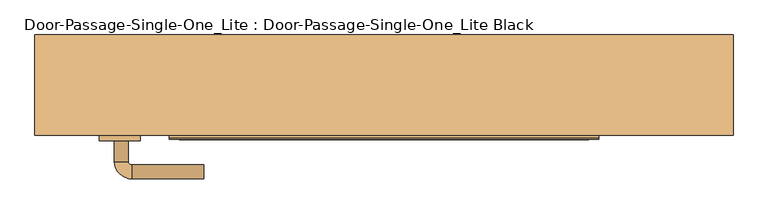
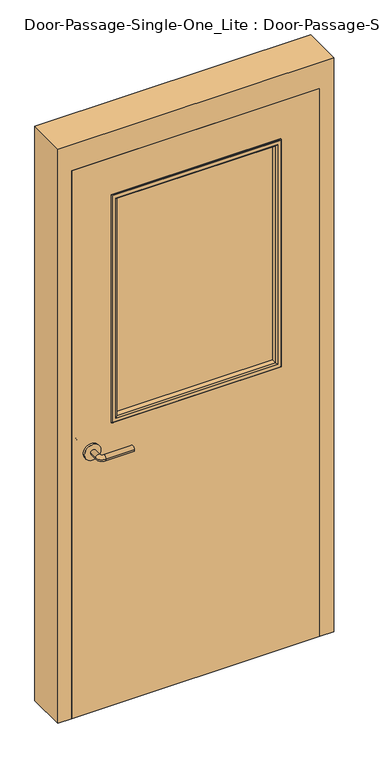
"""IFC4 building model written with IfcOpenShell, lengths in millimetres: door geometry, Door-Passage-Single-One_Lite : Door-Passage-Single-One_Lite Black."""

import ifcopenshell
import ifcopenshell.guid

model = None  # the IFC model being written
_history = None  # IfcOwnerHistory: only IFC2X3 demands one
_inside = {}  # id of a spatial element -> (the spatial element, [elements in it])
_under = {}  # id of a project, library or spatial element -> (it, [spatial elements below it])
_declared = {}  # id of a project -> (the project, [libraries it declares])
_typed = {}  # id of a type object -> (the type object, [elements of that type])
_made_of = {}  # id of a material, layer set ... -> (it, [elements and type objects made of it])


def new_model(schema):
    """Start an empty IFC model of exactly this schema.

    Asked for "IFC4X3", IfcOpenShell would pick the latest addendum, in which some entities
    have other attributes; the version numbers below select the first issue.
    IFC2X3 requires an IfcOwnerHistory on every rooted entity: one is made here for all.
    """
    global model, _history
    if schema == "IFC4X3":
        model = ifcopenshell.file(schema_version=(4, 3, 0, 0))
    else:
        model = ifcopenshell.file(schema=schema)
    _inside.clear()
    _under.clear()
    _declared.clear()
    _typed.clear()
    _made_of.clear()
    _history = None
    if model.schema == "IFC2X3":
        org = make("IfcOrganization", Name="unknown")
        user = make(
            "IfcPersonAndOrganization",
            ThePerson=make("IfcPerson", FamilyName="unknown"),
            TheOrganization=org,
        )
        app = make(
            "IfcApplication",
            ApplicationDeveloper=org,
            Version="unknown",
            ApplicationFullName="unknown",
            ApplicationIdentifier="unknown",
        )
        _history = make(
            "IfcOwnerHistory",
            OwningUser=user,
            OwningApplication=app,
            ChangeAction="ADDED",
            CreationDate=0,
        )
    return model


def make(cls, **values):
    """One entity of the class cls with the attributes given. An attribute that is None is left unset."""
    return model.create_entity(
        cls, **{name: value for name, value in values.items() if value is not None}
    )


def rooted(cls, **values):
    """An entity with a GlobalId (a new one), such as an element, a storey or a relation."""
    return make(cls, GlobalId=ifcopenshell.guid.new(), OwnerHistory=_history, **values)


def si_unit(unit_type, name, prefix=None):
    """IfcSIUnit, for example si_unit("LENGTHUNIT", "METRE", prefix="MILLI")."""
    return make("IfcSIUnit", UnitType=unit_type, Prefix=prefix, Name=name)


def assignment(units):
    """IfcUnitAssignment: the units of a project."""
    return None if units is None else make("IfcUnitAssignment", Units=units)


def point(xyz):
    """IfcCartesianPoint."""
    return None if xyz is None else make("IfcCartesianPoint", Coordinates=xyz)


def direction(xyz):
    """IfcDirection."""
    return None if xyz is None else make("IfcDirection", DirectionRatios=xyz)


def frame(location, z_axis=None, x_axis=None):
    """IfcAxis2Placement3D, a coordinate frame: its origin and axes. An axis left out is left unset."""
    return make(
        "IfcAxis2Placement3D",
        Location=point(location),
        Axis=direction(z_axis),
        RefDirection=direction(x_axis),
    )


def frame_2d(location, x_axis=None):
    """IfcAxis2Placement2D, a coordinate frame in the plane: its origin and x axis."""
    return make(
        "IfcAxis2Placement2D", Location=point(location), RefDirection=direction(x_axis)
    )


def origin():
    """The frame at (0, 0, 0) with its axes left unset."""
    return frame((0.0, 0.0, 0.0))


def place(relative_to, where):
    """IfcLocalPlacement: puts the frame where relative to a parent placement (None: the world)."""
    return make(
        "IfcLocalPlacement", PlacementRelTo=relative_to, RelativePlacement=where
    )


def context(
    kind, dimensions, precision=None, world=None, true_north=None, identifier=None
):
    """IfcGeometricRepresentationContext, for example the 3D "Model" context."""
    return make(
        "IfcGeometricRepresentationContext",
        ContextIdentifier=identifier,
        ContextType=kind,
        CoordinateSpaceDimension=dimensions,
        Precision=precision,
        WorldCoordinateSystem=world,
        TrueNorth=true_north,
    )


def project(units=None, contexts=None):
    """IfcProject with its units and contexts."""
    return rooted(
        "IfcProject",
        Name="project",
        RepresentationContexts=contexts,
        UnitsInContext=assignment(units),
    )


def spatial(cls, under=None, at=None, **own):
    """A site, building, storey or space (cls), placed at a placement, below another one or the project."""
    s = rooted(cls, ObjectPlacement=at, **own)
    if under is not None:
        _under.setdefault(under.id(), (under, []))[1].append(s)
    return s


def polyline(points):
    """IfcPolyline through the points."""
    return make("IfcPolyline", Points=[point(p) for p in points])


def circle_curve(where, radius):
    """IfcCircle in the frame where."""
    return make("IfcCircle", Position=where, Radius=radius)


def ellipse_curve(where, semi_axis1, semi_axis2):
    """IfcEllipse in the frame where."""
    return make(
        "IfcEllipse", Position=where, SemiAxis1=semi_axis1, SemiAxis2=semi_axis2
    )


def trimmed(basis, trim1, trim2, sense, master):
    """IfcTrimmedCurve: the piece of a basis curve between two trims."""
    return make(
        "IfcTrimmedCurve",
        BasisCurve=basis,
        Trim1=trim1,
        Trim2=trim2,
        SenseAgreement=sense,
        MasterRepresentation=master,
    )


def segment(curve, same_sense, transition):
    """IfcCompositeCurveSegment."""
    return make(
        "IfcCompositeCurveSegment",
        Transition=transition,
        SameSense=same_sense,
        ParentCurve=curve,
    )


def composite_curve(segments, self_intersect=None):
    """IfcCompositeCurve: segments joined end to end."""
    return make("IfcCompositeCurve", Segments=segments, SelfIntersect=self_intersect)


def outline(outer, holes=None, kind="AREA"):
    """IfcArbitraryClosedProfileDef: a profile drawn as a closed curve; with holes, ...WithVoids."""
    if holes is None:
        return make("IfcArbitraryClosedProfileDef", ProfileType=kind, OuterCurve=outer)
    return make(
        "IfcArbitraryProfileDefWithVoids",
        ProfileType=kind,
        OuterCurve=outer,
        InnerCurves=holes,
    )


def extrude(swept, where, along, depth):
    """IfcExtrudedAreaSolid: the profile swept, set in the frame where, extruded along a direction by depth."""
    return make(
        "IfcExtrudedAreaSolid",
        SweptArea=swept,
        Position=where,
        ExtrudedDirection=direction(along),
        Depth=depth,
    )


def faces_of(points, faces, orient=None, outer=None):
    """IfcFace entities. A face is a list of loops; a loop is a list of indices into points, from 0.

    orient and outer hold one flag for each loop. By default every Orientation is true, the
    first loop of a face is its IfcFaceOuterBound and the others are IfcFaceBound.
    """
    made = []
    for i, loops in enumerate(faces):
        bounds = []
        for j, loop in enumerate(loops):
            is_outer = j == 0 if outer is None else outer[i][j]
            bounds.append(
                make(
                    "IfcFaceOuterBound" if is_outer else "IfcFaceBound",
                    Bound=make("IfcPolyLoop", Polygon=[points[k] for k in loop]),
                    Orientation=True if orient is None else orient[i][j],
                )
            )
        made.append(make("IfcFace", Bounds=bounds))
    return made


def faceted_brep(points, faces, orient=None, outer=None, voids=None):
    """IfcFacetedBrep: a solid bounded by flat faces; with voids (closed shells), ...WithVoids."""
    shared = [point(p) for p in points]
    hull = make("IfcClosedShell", CfsFaces=faces_of(shared, faces, orient, outer))
    if voids is None:
        return make("IfcFacetedBrep", Outer=hull)
    return make(
        "IfcFacetedBrepWithVoids",
        Outer=hull,
        Voids=[
            make(cls, CfsFaces=faces_of(shared, fs, o, b)) for cls, fs, o, b in voids
        ],
    )


def shape(context_of_items, identifier, shape_type, items):
    """IfcShapeRepresentation: the items that make up one representation, for example the "Body"."""
    return make(
        "IfcShapeRepresentation",
        ContextOfItems=context_of_items,
        RepresentationIdentifier=identifier,
        RepresentationType=shape_type,
        Items=items,
    )


def source(mapping_origin, context_of_items, identifier, shape_type, items):
    """IfcRepresentationMap: a shape defined once, which mapped items show again and again."""
    return make(
        "IfcRepresentationMap",
        MappingOrigin=mapping_origin,
        MappedRepresentation=shape(context_of_items, identifier, shape_type, items),
    )


def transform(
    local_origin,
    x_axis=None,
    y_axis=None,
    z_axis=None,
    scale=None,
    scale2=None,
    scale3=None,
    uniform=True,
):
    """IfcCartesianTransformationOperator3D, or its non-uniform kind. x_axis, y_axis, z_axis: its Axis1, 2, 3."""
    if uniform:
        return make(
            "IfcCartesianTransformationOperator3D",
            Axis1=direction(x_axis),
            Axis2=direction(y_axis),
            LocalOrigin=point(local_origin),
            Scale=scale,
            Axis3=direction(z_axis),
        )
    return make(
        "IfcCartesianTransformationOperator3DnonUniform",
        Axis1=direction(x_axis),
        Axis2=direction(y_axis),
        LocalOrigin=point(local_origin),
        Scale=scale,
        Axis3=direction(z_axis),
        Scale2=scale2,
        Scale3=scale3,
    )


def mapped(mapping_source, mapping_target):
    """IfcMappedItem: shows the shape of a source again, moved by a transform."""
    return make(
        "IfcMappedItem", MappingSource=mapping_source, MappingTarget=mapping_target
    )


def made_of(thing, what):
    """Note that an element or type object is made of a material, layer set ...; save() writes the relation."""
    if what is not None:
        _made_of.setdefault(what.id(), (what, []))[1].append(thing)
    return thing


def element(
    cls,
    number,
    at=None,
    inside=None,
    cuts=None,
    type_object=None,
    material=None,
    context=None,
    identifier="Body",
    shape_type=None,
    held_by="IfcProductDefinitionShape",
    body=None,
    shapes=None,
    **own,
):
    """One element of the class cls, such as IfcWall. Its Tag is "e" and its number.

    at: its placement. inside: the storey or other place that contains it. cuts: it is an
    opening in that element (IfcRelVoidsElement). A single representation is given by context,
    identifier, shape_type and body (its items); several are given by shapes. held_by: the class
    of the entity that holds the representations. save() writes the other relations.
    """
    e = rooted(cls, Tag="e%d" % number, ObjectPlacement=at, **own)
    if body is not None:
        shapes = [shape(context, identifier, shape_type, body)]
    if shapes is not None:
        e.Representation = make(held_by, Representations=shapes)
    if inside is not None:
        _inside.setdefault(inside.id(), (inside, []))[1].append(e)
    if cuts is not None:
        rooted(
            "IfcRelVoidsElement", RelatingBuildingElement=cuts, RelatedOpeningElement=e
        )
    if type_object is not None:
        _typed.setdefault(type_object.id(), (type_object, []))[1].append(e)
    return made_of(e, material)


def aggregate(whole, parts):
    """IfcRelAggregates: a whole, such as a stair, and the parts it consists of."""
    return rooted("IfcRelAggregates", RelatingObject=whole, RelatedObjects=parts)


def save(model, path):
    """Write the relations noted so far, then the file.

    IfcRelAggregates (storeys below a building ...), IfcRelContainedInSpatialStructure (elements
    in a storey), IfcRelDefinesByType, IfcRelAssociatesMaterial and IfcRelDeclares: one each for
    every whole, place, type object, material and project.
    """
    for whole, parts in _under.values():
        aggregate(whole, parts)
    for where, things in _inside.values():
        rooted(
            "IfcRelContainedInSpatialStructure",
            RelatedElements=things,
            RelatingStructure=where,
        )
    for kind, things in _typed.values():
        rooted("IfcRelDefinesByType", RelatedObjects=things, RelatingType=kind)
    for what, things in _made_of.values():
        rooted("IfcRelAssociatesMaterial", RelatedObjects=things, RelatingMaterial=what)
    for by, libraries in _declared.values():
        rooted("IfcRelDeclares", RelatingContext=by, RelatedDefinitions=libraries)
    model.write(path)


def plane_surface(at):
    """IfcPlane: the flat surface through the origin of the frame at, square to its z axis."""
    return make("IfcPlane", Position=at)


def cylinder_surface(at, radius):
    """IfcCylindricalSurface: all points at the distance radius from the z axis of the frame at."""
    return make("IfcCylindricalSurface", Position=at, Radius=radius)


def revolved_surface(curve, axis_point, axis_direction):
    """IfcSurfaceOfRevolution: the curve turned about the line through axis_point along axis_direction."""
    return make(
        "IfcSurfaceOfRevolution",
        SweptCurve=make("IfcArbitraryOpenProfileDef", ProfileType="CURVE", Curve=curve),
        AxisPosition=make("IfcAxis1Placement", Location=point(axis_point), Axis=direction(axis_direction)),
    )


def advanced_brep(points, edges, surfaces, faces):
    """IfcAdvancedBrep: a solid bounded by faces that lie on surfaces and meet in shared edges.

    An edge is (start, end): straight between two places in points (the first is 0);
    or (start, end, curve); or (start, end, curve, False) where it runs against its curve.
    A face is (place in surfaces, loops), or (place, loops, False) where it looks against
    its surface's normal. A loop lists edges by number (the first is 1), with a minus sign
    where the edge is run from its end to its start. The first loop is the outer one.
    """
    corners = [point(p) for p in points]
    vertices = [make("IfcVertexPoint", VertexGeometry=c) for c in corners]
    made = []
    for start, end, *more in edges:
        made.append(
            make(
                "IfcEdgeCurve",
                EdgeStart=vertices[start],
                EdgeEnd=vertices[end],
                EdgeGeometry=more[0] if more else make("IfcPolyline", Points=[corners[start], corners[end]]),
                SameSense=more[1] if len(more) > 1 else True,
            )
        )
    hull = []
    for where, loops, *sense in faces:
        bounds = []
        for j, loop in enumerate(loops):
            ring = [make("IfcOrientedEdge", EdgeElement=made[abs(k) - 1], Orientation=k > 0) for k in loop]
            bounds.append(
                make(
                    "IfcFaceOuterBound" if j == 0 else "IfcFaceBound",
                    Bound=make("IfcEdgeLoop", EdgeList=ring),
                    Orientation=True,
                )
            )
        hull.append(make("IfcAdvancedFace", Bounds=bounds, FaceSurface=surfaces[where], SameSense=sense[0] if sense else True))
    return make("IfcAdvancedBrep", Outer=make("IfcClosedShell", CfsFaces=hull))


def door_passage_single_one_lite_door_passage_single_one_lite_302719e3(model_context):
    return source(origin(), model_context, "Body", "SolidModel", [
        advanced_brep(
        [(-392.190625, -92.0125, 1016.0), (-372.190625, -92.0125, 1016.0), (-392.190625, -62.0125, 1016.0), (-372.190625, -62.0125, 1016.0), (-367.190625, -57.0125, 1016.0), (-367.190625, -37.0125, 1016.0), (-262.190625, -37.0125, 1016.0), (-262.190625, -57.0125, 1016.0)],
        [
            (0, 1, circle_curve(frame((-382.190625, -92.0125, 1016.0), z_axis=(0.0, -1.0, 0.0), x_axis=(1.0, 0.0, 0.0)), 10.0)),
            (1, 0, circle_curve(frame((-382.190625, -92.0125, 1016.0), z_axis=(0.0, -1.0, 0.0), x_axis=(1.0, 0.0, 0.0)), 10.0)),
            (0, 2),
            (2, 3, circle_curve(frame((-382.190625, -62.0125, 1016.0), z_axis=(0.0, -1.0, 0.0), x_axis=(1.0, 0.0, 0.0)), 10.0)),
            (3, 1),
            (3, 2, circle_curve(frame((-382.190625, -62.0125, 1016.0), z_axis=(0.0, -1.0, 0.0), x_axis=(1.0, 0.0, 0.0)), 10.0)),
            (4, 3, circle_curve(frame((-367.190625, -62.0125, 1016.0), z_axis=(0.0, 0.0, 1.0), x_axis=(-1.0, 0.0, 0.0)), 5.0)),
            (2, 5, circle_curve(frame((-367.190625, -62.0125, 1016.0), z_axis=(0.0, 0.0, -1.0), x_axis=(-1.0, 0.0, 0.0)), 25.0)),
            (5, 4, circle_curve(frame((-367.190625, -47.0125, 1016.0), z_axis=(-1.0, 0.0, 0.0), x_axis=(0.0, -1.0, 0.0)), 10.0)),
            (4, 5, circle_curve(frame((-367.190625, -47.0125, 1016.0), z_axis=(-1.0, 0.0, 0.0), x_axis=(0.0, -1.0, 0.0)), 10.0)),
            (6, 7, circle_curve(frame((-262.190625, -47.0125, 1016.0), z_axis=(1.0, 0.0, 0.0), x_axis=(0.0, -1.0, 0.0)), 10.0)),
            (7, 6, circle_curve(frame((-262.190625, -47.0125, 1016.0), z_axis=(1.0, 0.0, 0.0), x_axis=(0.0, -1.0, 0.0)), 10.0)),
            (5, 6),
            (7, 4),
        ],
        [
            plane_surface(frame((-382.190625, -92.0125, 1016.0), z_axis=(0.0, -1.0, 0.0), x_axis=(0.0, 0.0, 1.0))),
            cylinder_surface(frame((-382.190625, -92.0125, 1016.0), z_axis=(0.0, -1.0, 0.0), x_axis=(1.0, 0.0, 0.0)), 10.0),
            revolved_surface(trimmed(ellipse_curve(frame((-382.190625, -62.0125, 1016.0), z_axis=(0.0, -1.0, 0.0), x_axis=(1.0, 0.0, 0.0)), 10.0, 10.0), [point((-392.190625, -62.0125, 1016.0))], [point((-372.190625, -62.0125, 1016.0))], True, "CARTESIAN"), (-367.190625, -62.0125, 1016.0), (0.0, 0.0, -1.0)),
            revolved_surface(trimmed(ellipse_curve(frame((-382.190625, -62.0125, 1016.0), z_axis=(0.0, -1.0, 0.0), x_axis=(1.0, 0.0, 0.0)), 10.0, 10.0), [point((-372.190625, -62.0125, 1016.0))], [point((-392.190625, -62.0125, 1016.0))], True, "CARTESIAN"), (-367.190625, -62.0125, 1016.0), (0.0, 0.0, -1.0)),
            plane_surface(frame((-262.190625, -47.0125, 1016.0), z_axis=(1.0, 0.0, 0.0), x_axis=(0.0, 0.0, 1.0))),
            cylinder_surface(frame((-367.190625, -47.0125, 1016.0), z_axis=(-1.0, 0.0, 0.0), x_axis=(0.0, -1.0, 0.0)), 10.0),
        ],
        [
            (0, [[1, 2]]),
            (1, [[-1, 3, 4, 5]]),
            (1, [[-2, -5, 6, -3]]),
            (2, [[7, -4, 8, 9]]),
            (3, [[-8, -6, -7, 10]]),
            (4, [[11, 12]]),
            (5, [[-9, 13, -12, 14]]),
            (5, [[-10, -14, -11, -13]]),
        ],
    ),
        extrude(outline(composite_curve([segment(trimmed(circle_curve(frame_2d((1016.0, -384.690625)), 30.0), [point((1016.0, -414.690625))], [point((1016.0, -354.690625))], False, "CARTESIAN"), True, "CONTINUOUS"), segment(trimmed(circle_curve(frame_2d((1016.0, -384.690625)), 30.0), [point((1016.0, -354.690625))], [point((1016.0, -414.690625))], False, "CARTESIAN"), True, "CONTINUOUS")], self_intersect=False)), frame((0.0, -100.0125, 0.0), z_axis=(0.0, 1.0, 0.0), x_axis=(0.0, 0.0, 1.0)), (0.0, 0.0, 1.0), 8.0),
        advanced_brep(
        [(-392.190625, -152.4625, 1016.0), (-372.190625, -152.4625, 1016.0), (-372.190625, -182.4625, 1016.0), (-392.190625, -182.4625, 1016.0), (-367.190625, -187.4625, 1016.0), (-367.190625, -207.4625, 1016.0), (-262.190625, -207.4625, 1016.0), (-262.190625, -187.4625, 1016.0)],
        [
            (0, 1, circle_curve(frame((-382.190625, -152.4625, 1016.0), z_axis=(0.0, 1.0, 0.0), x_axis=(1.0, 0.0, 0.0)), 10.0)),
            (1, 0, circle_curve(frame((-382.190625, -152.4625, 1016.0), z_axis=(0.0, 1.0, 0.0), x_axis=(1.0, 0.0, 0.0)), 10.0)),
            (1, 2),
            (2, 3, circle_curve(frame((-382.190625, -182.4625, 1016.0), z_axis=(0.0, 1.0, 0.0), x_axis=(1.0, 0.0, 0.0)), 10.0)),
            (3, 0),
            (3, 2, circle_curve(frame((-382.190625, -182.4625, 1016.0), z_axis=(0.0, 1.0, 0.0), x_axis=(1.0, 0.0, 0.0)), 10.0)),
            (4, 5, circle_curve(frame((-367.190625, -197.4625, 1016.0), z_axis=(-1.0, 0.0, 0.0), x_axis=(0.0, 1.0, 0.0)), 10.0)),
            (5, 3, circle_curve(frame((-367.190625, -182.4625, 1016.0), z_axis=(0.0, 0.0, -1.0), x_axis=(-1.0, 0.0, 0.0)), 25.0)),
            (2, 4, circle_curve(frame((-367.190625, -182.4625, 1016.0), z_axis=(0.0, 0.0, 1.0), x_axis=(-1.0, 0.0, 0.0)), 5.0)),
            (5, 4, circle_curve(frame((-367.190625, -197.4625, 1016.0), z_axis=(-1.0, 0.0, 0.0), x_axis=(0.0, 1.0, 0.0)), 10.0)),
            (6, 7, circle_curve(frame((-262.190625, -197.4625, 1016.0), z_axis=(1.0, 0.0, 0.0), x_axis=(0.0, 1.0, 0.0)), 10.0)),
            (7, 6, circle_curve(frame((-262.190625, -197.4625, 1016.0), z_axis=(1.0, 0.0, 0.0), x_axis=(0.0, 1.0, 0.0)), 10.0)),
            (4, 7),
            (6, 5),
        ],
        [
            plane_surface(frame((-382.190625, -152.4625, 1016.0), z_axis=(0.0, 1.0, 0.0), x_axis=(0.0, 0.0, 1.0))),
            cylinder_surface(frame((-382.190625, -152.4625, 1016.0), z_axis=(0.0, 1.0, 0.0), x_axis=(1.0, 0.0, 0.0)), 10.0),
            revolved_surface(trimmed(ellipse_curve(frame((-382.190625, -182.4625, 1016.0), z_axis=(0.0, -1.0, 0.0), x_axis=(1.0, 0.0, 0.0)), 10.0, 10.0), [point((-392.190625, -182.4625, 1016.0))], [point((-372.190625, -182.4625, 1016.0))], True, "CARTESIAN"), (-367.190625, -182.4625, 1016.0), (0.0, 0.0, -1.0)),
            revolved_surface(trimmed(ellipse_curve(frame((-382.190625, -182.4625, 1016.0), z_axis=(0.0, -1.0, 0.0), x_axis=(1.0, 0.0, 0.0)), 10.0, 10.0), [point((-372.190625, -182.4625, 1016.0))], [point((-392.190625, -182.4625, 1016.0))], True, "CARTESIAN"), (-367.190625, -182.4625, 1016.0), (0.0, 0.0, -1.0)),
            plane_surface(frame((-262.190625, -197.4625, 1016.0), z_axis=(1.0, 0.0, 0.0), x_axis=(0.0, 0.0, 1.0))),
            cylinder_surface(frame((-367.190625, -197.4625, 1016.0), z_axis=(-1.0, 0.0, 0.0), x_axis=(0.0, 1.0, 0.0)), 10.0),
        ],
        [
            (0, [[1, 2]]),
            (1, [[3, 4, 5, -2]]),
            (1, [[-5, 6, -3, -1]]),
            (2, [[7, 8, -4, 9]]),
            (3, [[10, -9, -6, -8]]),
            (4, [[11, 12]]),
            (5, [[13, -11, 14, -7]]),
            (5, [[-14, -12, -13, -10]]),
        ],
    ),
        extrude(outline(composite_curve([segment(trimmed(circle_curve(frame_2d((1016.0, -384.690625)), 30.0), [point((1016.0, -414.690625))], [point((1016.0, -354.690625))], False, "CARTESIAN"), True, "CONTINUOUS"), segment(trimmed(circle_curve(frame_2d((1016.0, -384.690625)), 30.0), [point((1016.0, -354.690625))], [point((1016.0, -414.690625))], False, "CARTESIAN"), True, "CONTINUOUS")], self_intersect=False)), frame((0.0, -152.4625, 0.0), z_axis=(0.0, 1.0, 0.0), x_axis=(0.0, 0.0, 1.0)), (0.0, 0.0, 1.0), 8.0),
        faceted_brep([(457.2, -95.25, 0.0), (441.325, -95.25, 0.0), (441.325, -47.625, 0.0), (457.2, -47.625, 0.0), (457.2, 1.5875, 0.0), (508.0, 1.5875, 0.0), (508.0, -144.4625, 0.0), (457.2, -144.4625, 0.0), (457.2, -144.4625, 2133.6), (457.2, -95.25, 2133.6), (508.0, -144.4625, 2235.2), (-508.0, -144.4625, 2235.2), (-508.0, -144.4625, 0.0), (-457.2, -144.4625, 0.0), (-457.2, -144.4625, 2133.6), (508.0, 1.5875, 2235.2), (457.2, 1.5875, 2133.6), (-457.2, 1.5875, 2133.6), (-457.2, 1.5875, 0.0), (-508.0, 1.5875, 0.0), (-508.0, 1.5875, 2235.2), (457.2, -47.625, 2133.6), (441.325, -47.625, 2117.725), (-441.325, -47.625, 2117.725), (-441.325, -47.625, 0.0), (-457.2, -47.625, 0.0), (-457.2, -47.625, 2133.6), (441.325, -95.25, 2117.725), (-457.2, -95.25, 2133.6), (-457.2, -95.25, 0.0), (-441.325, -95.25, 0.0), (-441.325, -95.25, 2117.725)], [[[0, 1, 2, 3, 4, 5, 6, 7]], [[7, 8, 9, 0]], [[6, 10, 11, 12, 13, 14, 8, 7]], [[5, 15, 10, 6]], [[4, 16, 17, 18, 19, 20, 15, 5]], [[3, 21, 16, 4]], [[2, 22, 23, 24, 25, 26, 21, 3]], [[1, 27, 22, 2]], [[0, 9, 28, 29, 30, 31, 27, 1]], [[8, 14, 28, 9]], [[16, 21, 26, 17]], [[22, 27, 31, 23]], [[12, 19, 18, 25, 24, 30, 29, 13]], [[13, 29, 28, 14]], [[11, 20, 19, 12]], [[17, 26, 25, 18]], [[23, 31, 30, 24]], [[15, 20, 11, 10]]]),
        extrude(outline(polyline([(2133.6, -457.2), (0.0, -457.2), (0.0, 457.2), (2133.6, 457.2), (2133.6, -457.2)]), holes=[polyline([(1981.2, -304.8), (1981.2, 304.8), (1111.25, 304.8), (1111.25, -304.8), (1981.2, -304.8)])]), frame((0.0, -144.4625, 0.0), z_axis=(0.0, 1.0, 0.0), x_axis=(0.0, 0.0, 1.0)), (0.0, 0.0, 1.0), 44.45),
        extrude(outline(polyline([(304.8, -119.0625), (304.8, -125.4125), (-304.8, -125.4125), (-304.8, -119.0625), (304.8, -119.0625)])), frame((0.0, 0.0, 1111.25), z_axis=(0.0, 0.0, 1.0), x_axis=(1.0, 0.0, 0.0)), (0.0, 0.0, 1.0), 869.95),
        advanced_brep(
        [(-304.8, -119.0625, 1111.25), (-304.8, -119.0625, 1981.2), (-304.8, -100.0125, 1981.2), (-304.8, -100.0125, 1111.25), (-292.8, -99.0125, 1123.25), (-292.8, -99.0125, 1969.2), (-292.8, -119.0625, 1969.2), (-292.8, -119.0625, 1123.25), (-297.8, -94.0125, 1118.25), (-297.8, -94.0125, 1974.2), (-312.8, -96.0125, 1103.25), (-312.8, -96.0125, 1989.2), (-310.8, -94.0125, 1987.2), (-310.8, -94.0125, 1105.25), (-312.8, -100.0125, 1103.25), (-312.8, -100.0125, 1989.2), (304.8, -119.0625, 1981.2), (304.8, -100.0125, 1981.2), (292.8, -99.0125, 1969.2), (292.8, -119.0625, 1969.2), (297.8, -94.0125, 1974.2), (312.8, -96.0125, 1989.2), (310.8, -94.0125, 1987.2), (312.8, -100.0125, 1989.2), (304.8, -119.0625, 1111.25), (304.8, -100.0125, 1111.25), (292.8, -99.0125, 1123.25), (292.8, -119.0625, 1123.25), (297.8, -94.0125, 1118.25), (312.8, -96.0125, 1103.25), (310.8, -94.0125, 1105.25), (312.8, -100.0125, 1103.25)],
        [
            (0, 1),
            (1, 2),
            (2, 3),
            (3, 0),
            (4, 5),
            (5, 6),
            (6, 7),
            (7, 4),
            (8, 9),
            (9, 5, ellipse_curve(frame((-297.8, -99.0125, 1974.2), z_axis=(-0.7071067811865475, 0.0, -0.7071067811865475), x_axis=(0.7071067811865474, 0.0, -0.7071067811865476)), 7.0710678, 5.0)),
            (4, 8, ellipse_curve(frame((-297.8, -99.0125, 1118.25), z_axis=(-0.7071067811865475, 0.0, 0.7071067811865475), x_axis=(-0.7071067811865474, 0.0, -0.7071067811865476)), 7.0710678, 5.0)),
            (10, 11),
            (11, 12, ellipse_curve(frame((-310.8, -96.0125, 1987.2), z_axis=(-0.7071067811865475, 0.0, -0.7071067811865475), x_axis=(0.7071067811865474, 0.0, -0.7071067811865476)), 2.8284271, 2.0)),
            (12, 13),
            (13, 10, ellipse_curve(frame((-310.8, -96.0125, 1105.25), z_axis=(-0.7071067811865475, 0.0, 0.7071067811865475), x_axis=(-0.7071067811865474, 0.0, -0.7071067811865476)), 2.8284271, 2.0)),
            (14, 15),
            (15, 11),
            (10, 14),
            (1, 16),
            (16, 17),
            (17, 2),
            (5, 18),
            (18, 19),
            (19, 6),
            (9, 20),
            (20, 18, ellipse_curve(frame((297.8, -99.0125, 1974.2), z_axis=(-0.7071067811865475, 0.0, 0.7071067811865475), x_axis=(-0.7071067811865476, 0.0, -0.7071067811865474)), 7.0710678, 5.0)),
            (11, 21),
            (21, 22, ellipse_curve(frame((310.8, -96.0125, 1987.2), z_axis=(-0.7071067811865475, 0.0, 0.7071067811865475), x_axis=(-0.7071067811865476, 0.0, -0.7071067811865474)), 2.8284271, 2.0)),
            (22, 12),
            (15, 23),
            (23, 21),
            (16, 24),
            (24, 25),
            (25, 17),
            (18, 26),
            (26, 27),
            (27, 19),
            (20, 28),
            (28, 26, ellipse_curve(frame((297.8, -99.0125, 1118.25), z_axis=(0.7071067811865475, 0.0, 0.7071067811865475), x_axis=(-0.7071067811865474, 0.0, 0.7071067811865476)), 7.0710678, 5.0)),
            (21, 29),
            (29, 30, ellipse_curve(frame((310.8, -96.0125, 1105.25), z_axis=(0.7071067811865475, 0.0, 0.7071067811865475), x_axis=(-0.7071067811865474, 0.0, 0.7071067811865476)), 2.8284271, 2.0)),
            (30, 22),
            (23, 31),
            (31, 29),
            (14, 31),
            (25, 3),
            (24, 0),
            (27, 7),
            (26, 4),
            (28, 8),
            (30, 13),
            (29, 10),
        ],
        [
            plane_surface(frame((-304.8, -100.0125, 1111.25), z_axis=(-1.0, 0.0, 0.0), x_axis=(0.0, 0.0, 1.0))),
            plane_surface(frame((-292.8, -119.0625, 1123.25), z_axis=(1.0, 0.0, 0.0), x_axis=(0.0, 0.0, 1.0))),
            cylinder_surface(frame((-297.8, -99.0125, 1111.25), z_axis=(0.0, 0.0, -1.0), x_axis=(-1.0, 0.0, 0.0)), 5.0),
            cylinder_surface(frame((-310.8, -96.0125, 1111.25), z_axis=(0.0, 0.0, -1.0), x_axis=(-1.0, 0.0, 0.0)), 2.0),
            plane_surface(frame((-312.8, -96.0125, 1103.25), z_axis=(-1.0, 0.0, 0.0), x_axis=(0.0, 0.0, 1.0))),
            plane_surface(frame((-304.8, -100.0125, 1981.2), z_axis=(0.0, 0.0, 1.0), x_axis=(1.0, 0.0, 0.0))),
            plane_surface(frame((-292.8, -119.0625, 1969.2), z_axis=(0.0, 0.0, -1.0), x_axis=(1.0, 0.0, 0.0))),
            cylinder_surface(frame((-304.8, -99.0125, 1974.2), z_axis=(-1.0, 0.0, 0.0), x_axis=(0.0, 0.0, 1.0)), 5.0),
            cylinder_surface(frame((-304.8, -96.0125, 1987.2), z_axis=(-1.0, 0.0, 0.0), x_axis=(0.0, 0.0, 1.0)), 2.0),
            plane_surface(frame((-312.8, -96.0125, 1989.2), z_axis=(0.0, 0.0, 1.0), x_axis=(1.0, 0.0, 0.0))),
            plane_surface(frame((304.8, -100.0125, 1981.2), z_axis=(1.0, 0.0, 0.0), x_axis=(0.0, 0.0, -1.0))),
            plane_surface(frame((292.8, -119.0625, 1969.2), z_axis=(-1.0, 0.0, 0.0), x_axis=(0.0, 0.0, -1.0))),
            cylinder_surface(frame((297.8, -99.0125, 1981.2), z_axis=(0.0, 0.0, 1.0), x_axis=(1.0, 0.0, 0.0)), 5.0),
            cylinder_surface(frame((310.8, -96.0125, 1981.2), z_axis=(0.0, 0.0, 1.0), x_axis=(1.0, 0.0, 0.0)), 2.0),
            plane_surface(frame((312.8, -96.0125, 1989.2), z_axis=(1.0, 0.0, 0.0), x_axis=(0.0, 0.0, -1.0))),
            plane_surface(frame((312.8, -100.0125, 1103.25), z_axis=(0.0, -1.0, 0.0), x_axis=(-1.0, 0.0, 0.0))),
            plane_surface(frame((304.8, -100.0125, 1111.25), z_axis=(0.0, 0.0, -1.0), x_axis=(-1.0, 0.0, 0.0))),
            plane_surface(frame((304.8, -119.0625, 1111.25), z_axis=(0.0, -1.0, 0.0), x_axis=(-1.0, 0.0, 0.0))),
            plane_surface(frame((292.8, -119.0625, 1123.25), z_axis=(0.0, 0.0, 1.0), x_axis=(-1.0, 0.0, 0.0))),
            cylinder_surface(frame((304.8, -99.0125, 1118.25), z_axis=(1.0, 0.0, 0.0), x_axis=(0.0, 0.0, -1.0)), 5.0),
            plane_surface(frame((297.8, -94.0125, 1118.25), z_axis=(0.0, 1.0, 0.0), x_axis=(-1.0, 0.0, 0.0))),
            cylinder_surface(frame((304.8, -96.0125, 1105.25), z_axis=(1.0, 0.0, 0.0), x_axis=(0.0, 0.0, -1.0)), 2.0),
            plane_surface(frame((312.8, -96.0125, 1103.25), z_axis=(0.0, 0.0, -1.0), x_axis=(-1.0, 0.0, 0.0))),
        ],
        [
            (0, [[1, 2, 3, 4]]),
            (1, [[5, 6, 7, 8]]),
            (2, [[9, 10, -5, 11]]),
            (3, [[12, 13, 14, 15]]),
            (4, [[16, 17, -12, 18]]),
            (5, [[19, 20, 21, -2]]),
            (6, [[22, 23, 24, -6]]),
            (7, [[25, 26, -22, -10]]),
            (8, [[27, 28, 29, -13]]),
            (9, [[30, 31, -27, -17]]),
            (10, [[32, 33, 34, -20]]),
            (11, [[35, 36, 37, -23]]),
            (12, [[38, 39, -35, -26]]),
            (13, [[40, 41, 42, -28]]),
            (14, [[43, 44, -40, -31]]),
            (15, [[-16, 45, -43, -30], [-3, -21, -34, 46]]),
            (16, [[47, -4, -46, -33]]),
            (17, [[-1, -47, -32, -19], [-7, -24, -37, 48]]),
            (18, [[49, -8, -48, -36]]),
            (19, [[50, -11, -49, -39]]),
            (20, [[-14, -29, -42, 51], [-9, -50, -38, -25]]),
            (21, [[52, -15, -51, -41]]),
            (22, [[-45, -18, -52, -44]]),
        ],
    ),
        advanced_brep(
        [(-304.8, -125.4125, 1981.2), (-304.8, -125.4125, 1111.25), (-304.8, -144.4625, 1111.25), (-304.8, -144.4625, 1981.2), (-292.8, -145.4625, 1969.2), (-292.8, -145.4625, 1123.25), (-292.8, -125.4125, 1123.25), (-292.8, -125.4125, 1969.2), (-297.8, -150.4625, 1974.2), (-297.8, -150.4625, 1118.25), (-312.8, -148.4625, 1989.2), (-312.8, -148.4625, 1103.25), (-310.8, -150.4625, 1105.25), (-310.8, -150.4625, 1987.2), (-312.8, -144.4625, 1989.2), (-312.8, -144.4625, 1103.25), (304.8, -125.4125, 1111.25), (304.8, -144.4625, 1111.25), (292.8, -145.4625, 1123.25), (292.8, -125.4125, 1123.25), (297.8, -150.4625, 1118.25), (312.8, -148.4625, 1103.25), (310.8, -150.4625, 1105.25), (312.8, -144.4625, 1103.25), (304.8, -125.4125, 1981.2), (304.8, -144.4625, 1981.2), (292.8, -145.4625, 1969.2), (292.8, -125.4125, 1969.2), (297.8, -150.4625, 1974.2), (312.8, -148.4625, 1989.2), (310.8, -150.4625, 1987.2), (312.8, -144.4625, 1989.2)],
        [
            (0, 1),
            (1, 2),
            (2, 3),
            (3, 0),
            (4, 5),
            (5, 6),
            (6, 7),
            (7, 4),
            (8, 9),
            (9, 5, ellipse_curve(frame((-297.8, -145.4625, 1118.25), z_axis=(-0.7071067811865475, 0.0, 0.7071067811865475), x_axis=(0.7071067811865474, 0.0, 0.7071067811865476)), 7.0710678, 5.0)),
            (4, 8, ellipse_curve(frame((-297.8, -145.4625, 1974.2), z_axis=(-0.7071067811865475, 0.0, -0.7071067811865475), x_axis=(-0.7071067811865474, 0.0, 0.7071067811865476)), 7.0710678, 5.0)),
            (10, 11),
            (11, 12, ellipse_curve(frame((-310.8, -148.4625, 1105.25), z_axis=(-0.7071067811865475, 0.0, 0.7071067811865475), x_axis=(0.7071067811865474, 0.0, 0.7071067811865476)), 2.8284271, 2.0)),
            (12, 13),
            (13, 10, ellipse_curve(frame((-310.8, -148.4625, 1987.2), z_axis=(-0.7071067811865475, 0.0, -0.7071067811865475), x_axis=(-0.7071067811865474, 0.0, 0.7071067811865476)), 2.8284271, 2.0)),
            (14, 15),
            (15, 11),
            (10, 14),
            (1, 16),
            (16, 17),
            (17, 2),
            (5, 18),
            (18, 19),
            (19, 6),
            (9, 20),
            (20, 18, ellipse_curve(frame((297.8, -145.4625, 1118.25), z_axis=(-0.7071067811865475, 0.0, -0.7071067811865475), x_axis=(-0.7071067811865476, 0.0, 0.7071067811865474)), 7.0710678, 5.0)),
            (11, 21),
            (21, 22, ellipse_curve(frame((310.8, -148.4625, 1105.25), z_axis=(-0.7071067811865475, 0.0, -0.7071067811865475), x_axis=(-0.7071067811865476, 0.0, 0.7071067811865474)), 2.8284271, 2.0)),
            (22, 12),
            (15, 23),
            (23, 21),
            (16, 24),
            (24, 25),
            (25, 17),
            (18, 26),
            (26, 27),
            (27, 19),
            (20, 28),
            (28, 26, ellipse_curve(frame((297.8, -145.4625, 1974.2), z_axis=(0.7071067811865475, 0.0, -0.7071067811865475), x_axis=(-0.7071067811865474, 0.0, -0.7071067811865476)), 7.0710678, 5.0)),
            (21, 29),
            (29, 30, ellipse_curve(frame((310.8, -148.4625, 1987.2), z_axis=(0.7071067811865475, 0.0, -0.7071067811865475), x_axis=(-0.7071067811865474, 0.0, -0.7071067811865476)), 2.8284271, 2.0)),
            (30, 22),
            (23, 31),
            (31, 29),
            (14, 31),
            (25, 3),
            (24, 0),
            (27, 7),
            (26, 4),
            (28, 8),
            (30, 13),
            (29, 10),
        ],
        [
            plane_surface(frame((-304.8, -144.4625, 1981.2), z_axis=(-1.0, 0.0, 0.0), x_axis=(0.0, 0.0, -1.0))),
            plane_surface(frame((-292.8, -125.4125, 1969.2), z_axis=(1.0, 0.0, 0.0), x_axis=(0.0, 0.0, -1.0))),
            cylinder_surface(frame((-297.8, -145.4625, 1981.2), z_axis=(0.0, 0.0, 1.0), x_axis=(-1.0, 0.0, 0.0)), 5.0),
            cylinder_surface(frame((-310.8, -148.4625, 1981.2), z_axis=(0.0, 0.0, 1.0), x_axis=(-1.0, 0.0, 0.0)), 2.0),
            plane_surface(frame((-312.8, -148.4625, 1989.2), z_axis=(-1.0, 0.0, 0.0), x_axis=(0.0, 0.0, -1.0))),
            plane_surface(frame((-304.8, -144.4625, 1111.25), z_axis=(0.0, 0.0, -1.0), x_axis=(1.0, 0.0, 0.0))),
            plane_surface(frame((-292.8, -125.4125, 1123.25), z_axis=(0.0, 0.0, 1.0), x_axis=(1.0, 0.0, 0.0))),
            cylinder_surface(frame((-304.8, -145.4625, 1118.25), z_axis=(-1.0, 0.0, 0.0), x_axis=(0.0, 0.0, -1.0)), 5.0),
            cylinder_surface(frame((-304.8, -148.4625, 1105.25), z_axis=(-1.0, 0.0, 0.0), x_axis=(0.0, 0.0, -1.0)), 2.0),
            plane_surface(frame((-312.8, -148.4625, 1103.25), z_axis=(0.0, 0.0, -1.0), x_axis=(1.0, 0.0, 0.0))),
            plane_surface(frame((304.8, -144.4625, 1111.25), z_axis=(1.0, 0.0, 0.0), x_axis=(0.0, 0.0, 1.0))),
            plane_surface(frame((292.8, -125.4125, 1123.25), z_axis=(-1.0, 0.0, 0.0), x_axis=(0.0, 0.0, 1.0))),
            cylinder_surface(frame((297.8, -145.4625, 1111.25), z_axis=(0.0, 0.0, -1.0), x_axis=(1.0, 0.0, 0.0)), 5.0),
            cylinder_surface(frame((310.8, -148.4625, 1111.25), z_axis=(0.0, 0.0, -1.0), x_axis=(1.0, 0.0, 0.0)), 2.0),
            plane_surface(frame((312.8, -148.4625, 1103.25), z_axis=(1.0, 0.0, 0.0), x_axis=(0.0, 0.0, 1.0))),
            plane_surface(frame((312.8, -144.4625, 1989.2), z_axis=(0.0, 1.0, 0.0), x_axis=(-1.0, 0.0, 0.0))),
            plane_surface(frame((304.8, -144.4625, 1981.2), z_axis=(0.0, 0.0, 1.0), x_axis=(-1.0, 0.0, 0.0))),
            plane_surface(frame((304.8, -125.4125, 1981.2), z_axis=(0.0, 1.0, 0.0), x_axis=(-1.0, 0.0, 0.0))),
            plane_surface(frame((292.8, -125.4125, 1969.2), z_axis=(0.0, 0.0, -1.0), x_axis=(-1.0, 0.0, 0.0))),
            cylinder_surface(frame((304.8, -145.4625, 1974.2), z_axis=(1.0, 0.0, 0.0), x_axis=(0.0, 0.0, 1.0)), 5.0),
            plane_surface(frame((297.8, -150.4625, 1974.2), z_axis=(0.0, -1.0, 0.0), x_axis=(-1.0, 0.0, 0.0))),
            cylinder_surface(frame((304.8, -148.4625, 1987.2), z_axis=(1.0, 0.0, 0.0), x_axis=(0.0, 0.0, 1.0)), 2.0),
            plane_surface(frame((312.8, -148.4625, 1989.2), z_axis=(0.0, 0.0, 1.0), x_axis=(-1.0, 0.0, 0.0))),
        ],
        [
            (0, [[1, 2, 3, 4]]),
            (1, [[5, 6, 7, 8]]),
            (2, [[9, 10, -5, 11]]),
            (3, [[12, 13, 14, 15]]),
            (4, [[16, 17, -12, 18]]),
            (5, [[19, 20, 21, -2]]),
            (6, [[22, 23, 24, -6]]),
            (7, [[25, 26, -22, -10]]),
            (8, [[27, 28, 29, -13]]),
            (9, [[30, 31, -27, -17]]),
            (10, [[32, 33, 34, -20]]),
            (11, [[35, 36, 37, -23]]),
            (12, [[38, 39, -35, -26]]),
            (13, [[40, 41, 42, -28]]),
            (14, [[43, 44, -40, -31]]),
            (15, [[-16, 45, -43, -30], [-3, -21, -34, 46]]),
            (16, [[47, -4, -46, -33]]),
            (17, [[-1, -47, -32, -19], [-7, -24, -37, 48]]),
            (18, [[49, -8, -48, -36]]),
            (19, [[50, -11, -49, -39]]),
            (20, [[-14, -29, -42, 51], [-9, -50, -38, -25]]),
            (21, [[52, -15, -51, -41]]),
            (22, [[-45, -18, -52, -44]]),
        ],
    ),
    ])


if __name__ == "__main__":
    model = new_model("IFC4")
    model_context = context("Model", 3, world=origin())
    ifc_project = project(units=[si_unit("LENGTHUNIT", "METRE", prefix="MILLI")], contexts=[model_context])
    site = spatial("IfcSite", under=ifc_project)
    building = spatial("IfcBuilding", under=site)
    placement = place(None, origin())
    door_passage_single_one_lite_door_passage_single_one_lite_shape = door_passage_single_one_lite_door_passage_single_one_lite_302719e3(model_context)
    element("IfcDoor", 1, ObjectType="Door-Passage-Single-One_Lite : Door-Passage-Single-One_Lite Black", at=placement, inside=building, context=model_context, shape_type="MappedRepresentation", body=[
        mapped(door_passage_single_one_lite_door_passage_single_one_lite_shape, transform((0.0, 0.0, 0.0), x_axis=(1.0, 0.0, 0.0), y_axis=(0.0, 1.0, 0.0), z_axis=(0.0, 0.0, 1.0))),
    ])
    save(model, "model.ifc")
